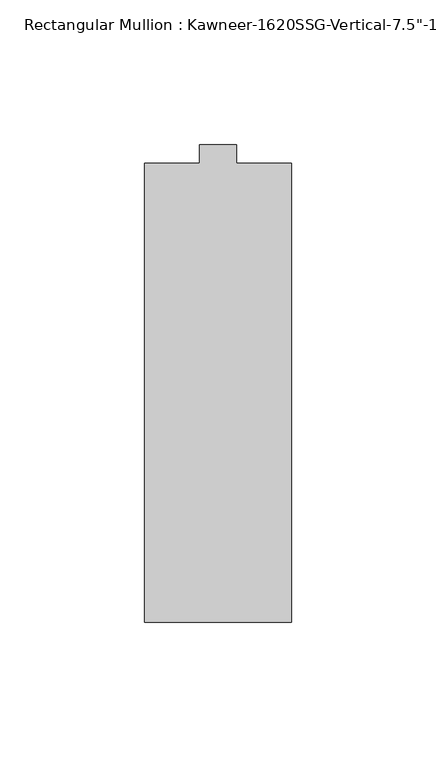
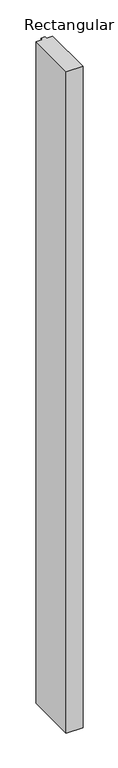
"""IFC4 building model written with IfcOpenShell, lengths in millimetres: member geometry."""

from ifc_helpers import new_model, si_unit, frame, origin, place, context, project, spatial, polyline, outline, extrude, source, transform, mapped, element, save


def member_c312f37f(model_context):
    return source(origin(), model_context, "Body", "SweptSolid", [
        extrude(outline(polyline([(25.4, -161.925), (-25.4, -161.925), (-25.4, -3.175), (-6.35, -3.175), (-6.35, 3.175), (6.35, 3.175), (6.35, -3.175), (25.4, -3.175), (25.4, -161.925)])), frame((0.0, 0.0, -2117.725), z_axis=(0.0, 0.0, 1.0), x_axis=(1.0, 0.0, 0.0)), (0.0, 0.0, 1.0), 2117.725),
    ])


if __name__ == "__main__":
    model = new_model("IFC4")
    model_context = context("Model", 3, world=origin())
    ifc_project = project(units=[si_unit("LENGTHUNIT", "METRE", prefix="MILLI")], contexts=[model_context])
    site = spatial("IfcSite", under=ifc_project)
    building = spatial("IfcBuilding", under=site)
    placement = place(None, origin())
    member_shape = member_c312f37f(model_context)
    element("IfcMember", 1, ObjectType="Rectangular Mullion : Kawneer-1620SSG-Vertical-7.5\"-1/4\"Infill-Standard", at=placement, inside=building, context=model_context, shape_type="MappedRepresentation", body=[
        mapped(member_shape, transform((0.0, 0.0, 0.0), x_axis=(1.0, 0.0, 0.0), y_axis=(0.0, 1.0, 0.0), z_axis=(0.0, 0.0, 1.0))),
    ])
    save(model, "model.ifc")
